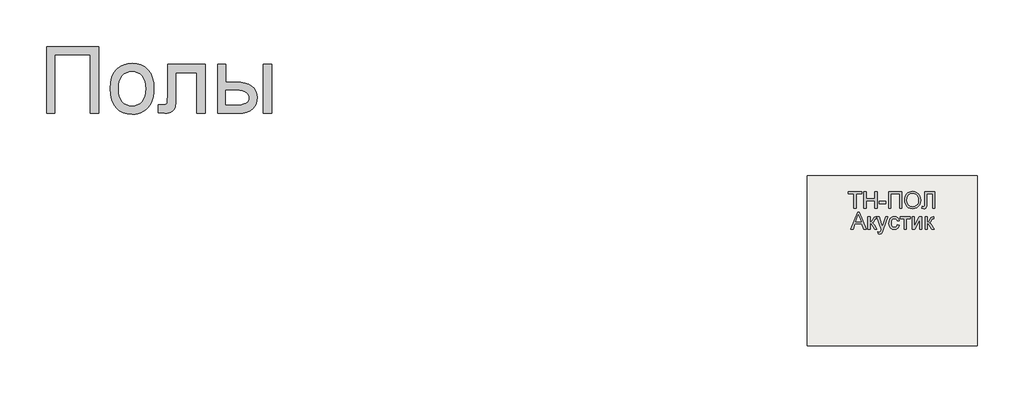
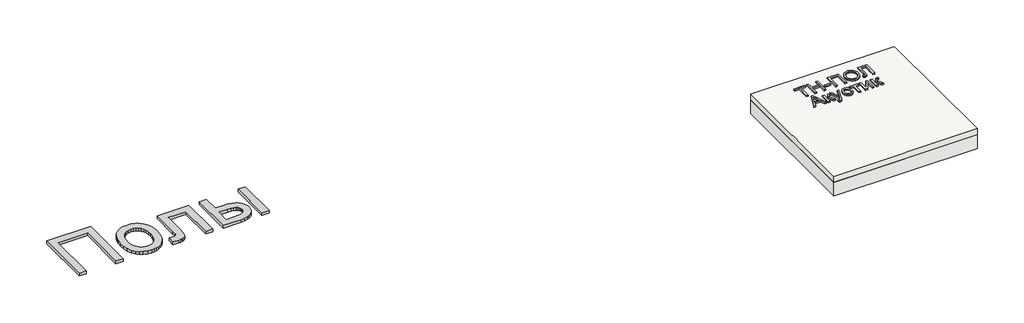
# One storey: 2 proxies, 2 slabs.
"""IFC4 building model written with IfcOpenShell, lengths in millimetres."""

from ifc_helpers import new_model, si_unit, frame, origin, origin_with_axes, place, context, project, spatial, polyline, outline, extrude, element, save

model = new_model("IFC4")

# Units and contexts
model_context = context("Model", 3, world=origin())
ifc_project = project(units=[si_unit("LENGTHUNIT", "METRE", prefix="MILLI")], contexts=[model_context])

# Site, building, storey
site = spatial("IfcSite", under=ifc_project)
building = spatial("IfcBuilding", under=site)
storey = spatial("IfcBuildingStorey", under=building, Elevation=0.0)

# Proxies
placement = place(None, origin())
element("IfcBuildingElementProxy", 1, Name="Generic Models", at=placement, inside=storey, context=model_context, shape_type="SweptSolid", body=[
    extrude(outline(polyline([(-2221.4493901, -14787.7817103), (-1609.328178, -14787.7817103), (-1609.328178, -15571.2968619), (-1707.2675719, -15571.2968619), (-1707.2675719, -14885.7211043), (-2123.5099961, -14885.7211043), (-2123.5099961, -15571.2968619), (-2221.4493901, -15571.2968619), (-2221.4493901, -14787.7817103)])), origin_with_axes(), (0.0, 0.0, 1.0), 40.0),
    extrude(outline(polyline([(-1474.6615113, -15283.5998922), (-1469.3652282, -15209.0813079), (-1462.7448742, -15175.6866287), (-1453.4763787, -15144.8683581), (-1441.5597416, -15116.6264961), (-1426.994963, -15090.9610427), (-1409.7820428, -15067.871998), (-1389.920981, -15047.3593619), (-1352.5959336, -15019.491109), (-1311.3973068, -14999.5852141), (-1266.3251003, -14987.6416772), (-1217.3793143, -14983.6604982), (-1163.3464663, -14988.5084504), (-1114.4903465, -15003.0523069), (-1070.810955, -15027.2920678), (-1032.3082916, -15061.2277331), (-1000.8832798, -15103.7115754), (-978.4368427, -15153.5958675), (-964.9689805, -15210.8806095), (-960.4796931, -15275.5658013), (-962.4643049, -15327.9906355), (-968.4181401, -15374.5094566), (-978.3411988, -15415.1222643), (-992.233481, -15449.8290588), (-1009.921632, -15479.8074561), (-1031.2322973, -15506.2350721), (-1056.1654767, -15529.1119068), (-1084.7211704, -15548.4379603), (-1115.7875175, -15563.7947904), (-1148.2526571, -15574.7639547), (-1182.1165894, -15581.3454532), (-1217.3793143, -15583.5392861), (-1272.2012248, -15578.7092672), (-1321.5116533, -15564.2192103), (-1365.3105998, -15540.0691156), (-1403.5980643, -15506.2589831), (-1434.6883224, -15463.3626763), (-1456.8956496, -15411.9540588), (-1470.2200459, -15352.0331308), (-1474.6615113, -15283.5998922)]), holes=[polyline([(-1376.7221174, -15283.4086043), (-1373.8886657, -15330.9137534), (-1365.3883105, -15372.0466251), (-1351.221052, -15406.8072193), (-1331.3868901, -15435.1955361), (-1307.2607064, -15457.2474419), (-1280.2173825, -15472.9988031), (-1250.2569185, -15482.4496199), (-1217.3793143, -15485.5998922), (-1184.6690871, -15482.4316867), (-1154.828178, -15472.9270702), (-1127.8565871, -15457.0860427), (-1103.7543143, -15434.9086043), (-1083.9201524, -15406.2393335), (-1069.7528939, -15370.9228088), (-1061.2525388, -15328.9590304), (-1058.4190871, -15280.3479982), (-1061.270472, -15234.3492411), (-1069.8246268, -15194.2923638), (-1084.0815515, -15160.1773661), (-1104.0412461, -15132.0042482), (-1128.2331851, -15109.9523424), (-1155.1868427, -15094.2009812), (-1184.9022192, -15084.7501644), (-1217.3793143, -15081.5998922), (-1250.2569185, -15084.7382089), (-1280.2173825, -15094.1531592), (-1307.2607064, -15109.844743), (-1331.3868901, -15131.8129603), (-1351.221052, -15160.1175887), (-1365.3883105, -15194.8184054), (-1373.8886657, -15235.9154106), (-1376.7221174, -15283.4086043)])]), origin_with_axes(), (0.0, 0.0, 1.0), 40.0),
    extrude(outline(polyline([(-801.328178, -14995.9029225), (-360.6009052, -14995.9029225), (-360.6009052, -15570.7229982), (-458.5402992, -15570.7229982), (-458.5402992, -15093.8423164), (-703.388784, -15093.8423164), (-703.388784, -15368.3404225), (-705.038642, -15448.011824), (-709.9882158, -15494.9729982), (-722.350195, -15523.6422691), (-746.2372689, -15548.4379603), (-762.7119374, -15558.4387298), (-782.4863219, -15565.5821365), (-805.5604223, -15569.8681805), (-831.9342386, -15571.2968619), (-911.5099961, -15566.323377), (-911.5099961, -15473.3574679), (-867.7050719, -15473.3574679), (-841.1399677, -15471.8510759), (-823.421928, -15467.3318997), (-812.351142, -15459.5369187), (-805.7277992, -15448.2031119), (-802.4280833, -15420.2989925), (-801.328178, -15362.793074), (-801.328178, -14995.9029225)])), origin_with_axes(), (0.0, 0.0, 1.0), 40.0),
    extrude(outline(polyline([(-213.6918143, -14995.9029225), (-115.7524204, -14995.9029225), (-115.7524204, -15204.0241346), (5.3328069, -15204.0241346), (61.0513793, -15207.0907184), (109.9911876, -15216.2904698), (152.1522316, -15231.6233888), (187.5345114, -15253.0894755), (215.5282969, -15279.9474892), (235.523858, -15311.4561895), (247.5211947, -15347.6155763), (251.5203069, -15388.4256497), (248.1667913, -15424.8361019), (238.1062444, -15458.5087463), (221.3386663, -15489.443583), (197.8640569, -15517.6406119), (167.0248642, -15541.1152212), (128.1635361, -15557.8827994), (81.2800725, -15567.9433462), (26.3744736, -15571.2968619), (-213.6918143, -15571.2968619), (-213.6918143, -14995.9029225)]), holes=[polyline([(-115.7524204, -15473.3574679), (-15.1349961, -15473.3574679), (62.8626364, -15468.2166062), (92.0699044, -15461.790529), (114.7494736, -15452.794021), (131.7382283, -15441.0716606), (143.8730531, -15426.4680266), (151.153948, -15408.983119), (153.5809129, -15388.6169376), (151.7816113, -15372.1542245), (146.3837065, -15356.6240399), (137.3871985, -15342.0263836), (124.7920872, -15328.3612558), (106.0518528, -15316.8122501), (78.6199754, -15308.5629603), (42.4964551, -15303.6133865), (-2.3187083, -15301.9635285), (-115.7524204, -15301.9635285), (-115.7524204, -15473.3574679)])]), origin_with_axes(), (0.0, 0.0, 1.0), 40.0),
    extrude(outline(polyline([(324.9748523, -14995.9029225), (422.9142463, -14995.9029225), (422.9142463, -15571.2968619), (324.9748523, -15571.2968619), (324.9748523, -14995.9029225)])), origin_with_axes(), (0.0, 0.0, 1.0), 40.0),
])
element("IfcBuildingElementProxy", 2, Name="Generic Models", at=placement, inside=storey, context=model_context, shape_type="SweptSolid", body=[
    extrude(outline(polyline([(7256.8186644, -16688.792124), (7256.8186644, -16516.4844317), (7192.2032798, -16516.4844317), (7192.2032798, -16491.8690471), (7346.0494336, -16491.8690471), (7346.0494336, -16516.4844317), (7281.434049, -16516.4844317), (7281.434049, -16688.792124), (7256.8186644, -16688.792124)])), origin_with_axes(), (0.0, 0.0, 1.0), 20.0),
    extrude(outline(polyline([(7373.7417413, -16688.792124), (7373.7417413, -16491.8690471), (7398.3571259, -16491.8690471), (7398.3571259, -16571.8690471), (7502.9725106, -16571.8690471), (7502.9725106, -16491.8690471), (7527.5878952, -16491.8690471), (7527.5878952, -16688.792124), (7502.9725106, -16688.792124), (7502.9725106, -16596.4844317), (7398.3571259, -16596.4844317), (7398.3571259, -16688.792124), (7373.7417413, -16688.792124)])), origin_with_axes(), (0.0, 0.0, 1.0), 20.0),
    extrude(outline(polyline([(7555.2802029, -16630.3305856), (7555.2802029, -16605.7152009), (7632.2032798, -16605.7152009), (7632.2032798, -16630.3305856), (7555.2802029, -16630.3305856)])), origin_with_axes(), (0.0, 0.0, 1.0), 20.0),
    extrude(outline(polyline([(7662.9725106, -16491.8690471), (7816.8186644, -16491.8690471), (7816.8186644, -16688.792124), (7792.2032798, -16688.792124), (7792.2032798, -16516.4844317), (7687.5878952, -16516.4844317), (7687.5878952, -16688.792124), (7662.9725106, -16688.792124), (7662.9725106, -16491.8690471)])), origin_with_axes(), (0.0, 0.0, 1.0), 20.0),
    extrude(outline(polyline([(7850.6648182, -16592.9267394), (7852.3054432, -16569.8287827), (7857.2273182, -16549.3810663), (7865.4304432, -16531.5835904), (7876.9148182, -16516.4363548), (7890.9923423, -16504.3420038), (7906.9749144, -16495.7031817), (7924.8625346, -16490.5198884), (7944.6552029, -16488.792124), (7970.4845298, -16492.0373163), (7993.6455875, -16501.7728932), (8012.8763567, -16517.3137586), (8026.9148182, -16537.9748163), (8035.496549, -16562.7584702), (8038.3571259, -16590.667124), (8035.3463086, -16618.948374), (8026.3138567, -16644.0805856), (8011.7585682, -16664.7777009), (7992.1792413, -16679.7536625), (7969.2165009, -16688.8402009), (7944.5109721, -16691.8690471), (7918.2850106, -16688.5216913), (7894.9917413, -16678.479624), (7875.809049, -16662.6502971), (7861.9148182, -16641.9411625), (7853.4773182, -16618.1130375), (7850.6648182, -16592.9267394)]), holes=[polyline([(7875.2802029, -16593.167124), (7880.2020779, -16623.9724125), (7894.9677029, -16647.4459702), (7917.1612125, -16662.3017394), (7944.3667413, -16667.2536625), (7971.9689048, -16662.2536625), (7994.1984721, -16647.2536625), (8002.7486524, -16636.2049846), (8008.855924, -16623.0589509), (8013.7417413, -16590.4748163), (8011.6503952, -16568.6839509), (8005.3763567, -16549.8498163), (7995.0818856, -16534.4471721), (7980.9292413, -16522.9507779), (7963.855924, -16515.7933259), (7944.7994336, -16513.4075086), (7918.3210682, -16518.0048644), (7895.809049, -16531.7969317), (7886.8276788, -16542.5286024), (7880.4124144, -16556.3341913), (7875.2802029, -16593.167124)])]), origin_with_axes(), (0.0, 0.0, 1.0), 20.0),
    extrude(outline(polyline([(8087.5878952, -16491.8690471), (8207.5878952, -16491.8690471), (8207.5878952, -16688.792124), (8182.9725106, -16688.792124), (8182.9725106, -16516.4844317), (8112.2032798, -16516.4844317), (8112.2032798, -16616.9652009), (8109.3427029, -16661.7969317), (8104.9136163, -16674.4652009), (8097.3475106, -16683.9603932), (8086.9869336, -16689.8918836), (8074.1744336, -16691.8690471), (8053.7417413, -16688.792124), (8056.8186644, -16664.1767394), (8068.5975106, -16667.2536625), (8076.9208279, -16665.6010182), (8082.8523182, -16660.6430856), (8086.4040009, -16649.5553452), (8087.5878952, -16629.5132779), (8087.5878952, -16491.8690471)])), origin_with_axes(), (0.0, 0.0, 1.0), 20.0),
    extrude(outline(polyline([(7220.0398182, -16931.8690471), (7298.6455875, -16734.9459702), (7319.6071259, -16734.9459702), (7398.2128952, -16931.8690471), (7372.2032798, -16931.8690471), (7349.6552029, -16870.3305856), (7268.5494336, -16870.3305856), (7246.0494336, -16931.8690471), (7220.0398182, -16931.8690471)]), holes=[polyline([(7277.5878952, -16845.7152009), (7340.6648182, -16845.7152009), (7322.9244336, -16797.3017394), (7309.1263567, -16759.5613548), (7296.8667413, -16793.0709702), (7277.5878952, -16845.7152009)])]), origin_with_axes(), (0.0, 0.0, 1.0), 20.0),
    extrude(outline(polyline([(7421.434049, -16787.2536625), (7446.0494336, -16787.2536625), (7446.0494336, -16848.792124), (7462.5398182, -16844.3690471), (7476.0494336, -16818.5998163), (7487.2753952, -16796.3642394), (7497.1792413, -16789.1286625), (7515.184049, -16787.2536625), (7519.8955875, -16787.2536625), (7519.8955875, -16812.0132779), (7513.2609721, -16811.8690471), (7501.2417413, -16814.4652009), (7492.7802029, -16830.667124), (7482.8523182, -16848.1911625), (7468.934049, -16856.7728932), (7484.4628952, -16866.3522202), (7499.7032798, -16886.5325086), (7526.0494336, -16931.8690471), (7498.0686644, -16931.8690471), (7472.2513567, -16887.4940471), (7459.2705875, -16868.7200086), (7446.0494336, -16864.1767394), (7446.0494336, -16931.8690471), (7421.434049, -16931.8690471), (7421.434049, -16787.2536625)])), origin_with_axes(), (0.0, 0.0, 1.0), 20.0),
    extrude(outline(polyline([(7541.434049, -16987.2536625), (7538.3571259, -16963.5517394), (7550.8571259, -16965.7152009), (7562.5398182, -16962.9988548), (7569.7032798, -16955.4267394), (7576.434049, -16937.3017394), (7578.3571259, -16931.3402009), (7526.0494336, -16787.2536625), (7552.0109721, -16787.2536625), (7579.7513567, -16867.542124), (7589.4148182, -16899.6575086), (7599.0782798, -16871.292124), (7627.5878952, -16787.2536625), (7653.3571259, -16787.2536625), (7603.0205875, -16935.3305856), (7589.9436644, -16967.4459702), (7575.6648182, -16984.8017394), (7556.4821259, -16990.3305856), (7541.434049, -16987.2536625)])), origin_with_axes(), (0.0, 0.0, 1.0), 20.0),
    extrude(outline(polyline([(7766.0494336, -16879.5613548), (7790.6648182, -16882.6382779), (7783.8018375, -16904.5313067), (7770.9052029, -16921.0757779), (7753.1888567, -16931.4784221), (7731.8667413, -16934.9459702), (7705.6828471, -16930.1082298), (7685.2080875, -16915.5950086), (7671.9929432, -16892.0433259), (7667.5878952, -16860.0902009), (7669.4689048, -16838.1851529), (7675.1119336, -16819.2007779), (7684.6071259, -16803.870249), (7698.0446259, -16792.9267394), (7714.1203471, -16786.3642394), (7731.5302029, -16784.1767394), (7752.3294817, -16787.1815471), (7768.9580875, -16796.1959702), (7780.887174, -16810.7392394), (7787.5878952, -16830.3305856), (7762.9725106, -16833.4075086), (7758.5073663, -16822.6683259), (7751.5542413, -16814.9700086), (7742.4977509, -16810.3365952), (7731.7225106, -16808.792124), (7715.8150586, -16811.8329894), (7703.1888567, -16820.9555856), (7694.949674, -16836.6527009), (7692.2032798, -16859.417124), (7694.8895779, -16882.4880375), (7702.9484721, -16898.2392394), (7715.3463086, -16907.307749), (7731.0494336, -16910.3305856), (7743.7958279, -16908.4435663), (7754.246549, -16902.7825086), (7761.8487125, -16893.2031817), (7766.0494336, -16879.5613548)])), origin_with_axes(), (0.0, 0.0, 1.0), 20.0),
    extrude(outline(polyline([(7799.8955875, -16787.2536625), (7916.8186644, -16787.2536625), (7916.8186644, -16811.8690471), (7870.6648182, -16811.8690471), (7870.6648182, -16931.8690471), (7846.0494336, -16931.8690471), (7846.0494336, -16811.8690471), (7799.8955875, -16811.8690471), (7799.8955875, -16787.2536625)])), origin_with_axes(), (0.0, 0.0, 1.0), 20.0),
    extrude(outline(polyline([(7938.3571259, -16787.2536625), (7962.9725106, -16787.2536625), (7962.9725106, -16897.542124), (8023.4532798, -16787.2536625), (8055.2802029, -16787.2536625), (8055.2802029, -16931.8690471), (8030.6648182, -16931.8690471), (8030.6648182, -16822.2536625), (7970.5686644, -16931.8690471), (7938.3571259, -16931.8690471), (7938.3571259, -16787.2536625)])), origin_with_axes(), (0.0, 0.0, 1.0), 20.0),
    extrude(outline(polyline([(8092.2032798, -16787.2536625), (8116.8186644, -16787.2536625), (8116.8186644, -16848.792124), (8133.309049, -16844.3690471), (8146.8186644, -16818.5998163), (8158.0446259, -16796.3642394), (8167.9484721, -16789.1286625), (8185.9532798, -16787.2536625), (8190.6648182, -16787.2536625), (8190.6648182, -16812.0132779), (8184.0302029, -16811.8690471), (8172.0109721, -16814.4652009), (8163.5494336, -16830.667124), (8153.621549, -16848.1911625), (8139.7032798, -16856.7728932), (8155.2321259, -16866.3522202), (8170.4725106, -16886.5325086), (8196.8186644, -16931.8690471), (8168.8378952, -16931.8690471), (8143.0205875, -16887.4940471), (8130.0398182, -16868.7200086), (8116.8186644, -16864.1767394), (8116.8186644, -16931.8690471), (8092.2032798, -16931.8690471), (8092.2032798, -16787.2536625)])), origin_with_axes(), (0.0, 0.0, 1.0), 20.0),
])

# Slabs
element("IfcSlab", 3, at=placement, inside=storey, context=model_context, shape_type="SweptSolid", body=[
    extrude(outline(polyline([(8706.3955952, -16302.6148653), (8706.3955952, -18302.6148653), (6706.3955952, -18302.6148653), (6706.3955952, -16302.6148653), (8706.3955952, -16302.6148653)])), frame((0.0, 0.0, -88.0), z_axis=(0.0, 0.0, 1.0), x_axis=(1.0, 0.0, 0.0)), (0.0, 0.0, 1.0), 88.0),
])
element("IfcSlab", 4, at=placement, inside=storey, context=model_context, shape_type="SweptSolid", body=[
    extrude(outline(polyline([(8706.3955952, -16302.6148653), (8706.3955952, -18302.6148653), (6706.3955952, -18302.6148653), (6706.3955952, -16302.6148653), (8706.3955952, -16302.6148653)])), frame((0.0, 0.0, -288.0), z_axis=(0.0, 0.0, 1.0), x_axis=(1.0, 0.0, 0.0)), (0.0, 0.0, 1.0), 200.0),
])

save(model, "model.ifc")
